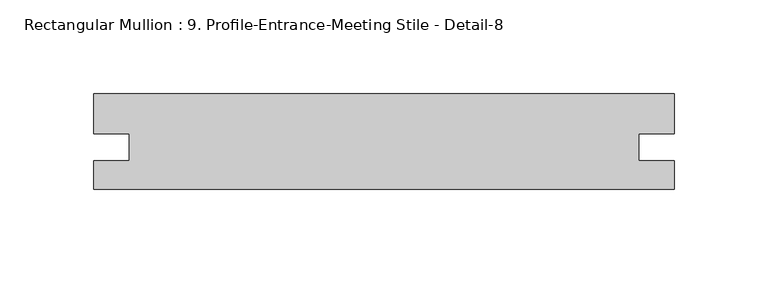
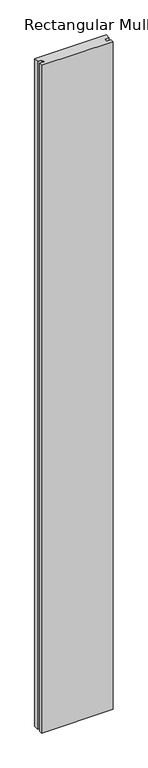
"""IFC4 building model written with IfcOpenShell, lengths in millimetres: member geometry, Rectangular Mullion : 9. Profile-Entrance-Meeting Stile - Detail-8."""

from ifc_helpers import new_model, si_unit, frame, origin, place, context, project, spatial, polyline, outline, extrude, source, transform, mapped, element, save


def rectangular_mullion_9_profile_entrance_meeting_stile_detail_5ece8575(model_context):
    return source(origin(), model_context, "Body", "SweptSolid", [
        extrude(outline(polyline([(-309.5481183, 50.8), (0.0, 50.8), (0.0, 29.4119234), (-19.0246, 29.4119234), (-19.0246, 15.09903), (0.0, 15.09903), (0.0, 0.0), (-309.5481183, 0.0), (-309.5481183, 15.09903), (-290.5235183, 15.09903), (-290.5235183, 29.4119234), (-309.5481183, 29.4119234), (-309.5481183, 50.8)])), frame((0.0, 0.0, -3048.0), z_axis=(0.0, 0.0, 1.0), x_axis=(1.0, 0.0, 0.0)), (0.0, 0.0, 1.0), 3048.0),
    ])


if __name__ == "__main__":
    model = new_model("IFC4")
    model_context = context("Model", 3, world=origin())
    ifc_project = project(units=[si_unit("LENGTHUNIT", "METRE", prefix="MILLI")], contexts=[model_context])
    site = spatial("IfcSite", under=ifc_project)
    building = spatial("IfcBuilding", under=site)
    placement = place(None, origin())
    rectangular_mullion_9_profile_entrance_meeting_stile_detail_shape = rectangular_mullion_9_profile_entrance_meeting_stile_detail_5ece8575(model_context)
    element("IfcMember", 1, ObjectType="Rectangular Mullion : 9. Profile-Entrance-Meeting Stile - Detail-8", at=placement, inside=building, context=model_context, shape_type="MappedRepresentation", body=[
        mapped(rectangular_mullion_9_profile_entrance_meeting_stile_detail_shape, transform((0.0, 0.0, 0.0), x_axis=(1.0, 0.0, 0.0), y_axis=(0.0, 1.0, 0.0), z_axis=(0.0, 0.0, 1.0))),
    ])
    save(model, "model.ifc")
